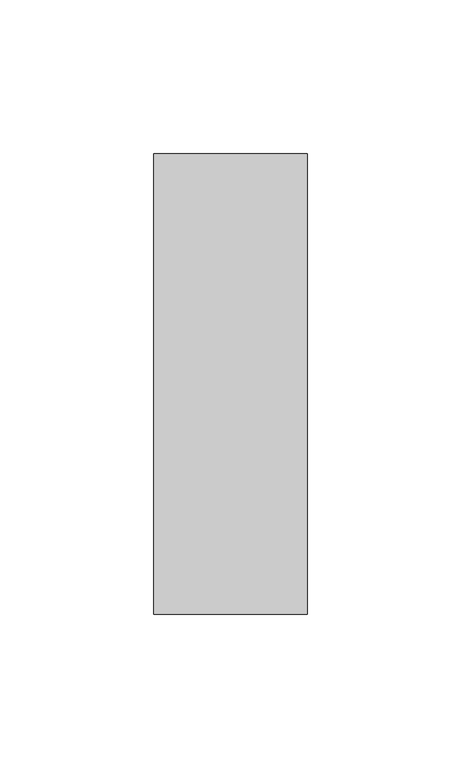
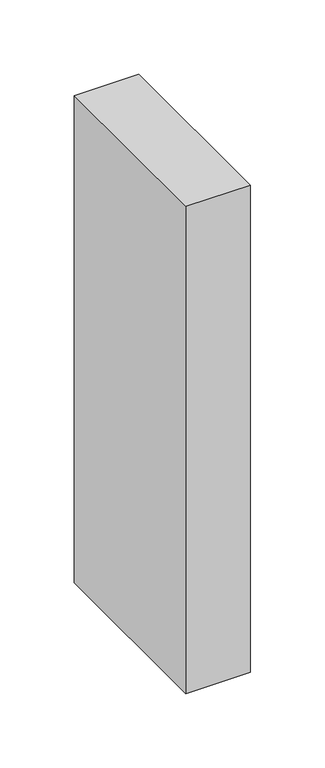
"""IFC4 building model written with IfcOpenShell, lengths in millimetres: member geometry."""

from ifc_helpers import new_model, si_unit, frame, origin, place, context, project, spatial, polyline, outline, extrude, source, transform, mapped, element, save


def member_08303c98(model_context):
    return source(origin(), model_context, "Body", "SweptSolid", [
        extrude(outline(polyline([(25.0, 75.0), (25.0, -75.0), (-25.0, -75.0), (-25.0, 75.0), (25.0, 75.0)])), frame((0.0, 0.0, -400.0), z_axis=(0.0, 0.0, 1.0), x_axis=(1.0, 0.0, 0.0)), (0.0, 0.0, 1.0), 400.0),
    ])


if __name__ == "__main__":
    model = new_model("IFC4")
    model_context = context("Model", 3, world=origin())
    ifc_project = project(units=[si_unit("LENGTHUNIT", "METRE", prefix="MILLI")], contexts=[model_context])
    site = spatial("IfcSite", under=ifc_project)
    building = spatial("IfcBuilding", under=site)
    placement = place(None, origin())
    member_shape = member_08303c98(model_context)
    element("IfcMember", 1, at=placement, inside=building, context=model_context, shape_type="MappedRepresentation", body=[
        mapped(member_shape, transform((0.0, 0.0, 0.0), x_axis=(1.0, 0.0, 0.0), y_axis=(0.0, 1.0, 0.0), z_axis=(0.0, 0.0, 1.0))),
    ])
    save(model, "model.ifc")
